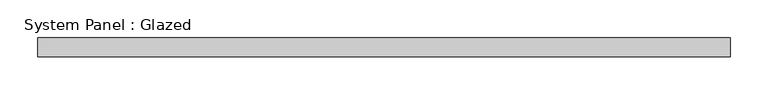
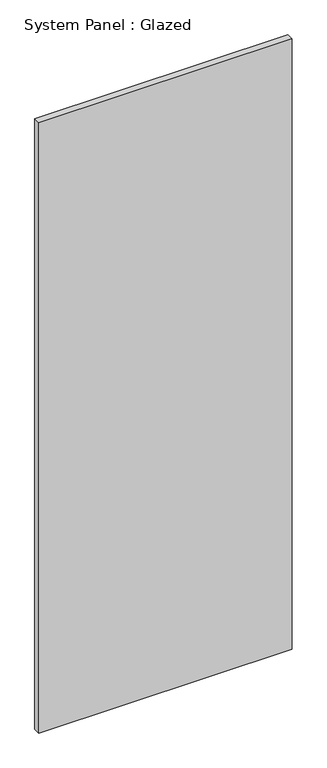
"""IFC4 building model written with IfcOpenShell, lengths in millimetres: plate geometry, System Panel : Glazed."""

from ifc_helpers import new_model, si_unit, origin, origin_with_axes, place, context, project, spatial, polyline, outline, extrude, source, transform, mapped, element, save


def system_panel_glazed_f1889ecb(model_context):
    return source(origin(), model_context, "Body", "SweptSolid", [
        extrude(outline(polyline([(460.375, 19.05), (-460.375, 19.05), (-460.375, 44.45), (460.375, 44.45), (460.375, 19.05)])), origin_with_axes(), (0.0, 0.0, 1.0), 2343.15),
    ])


if __name__ == "__main__":
    model = new_model("IFC4")
    model_context = context("Model", 3, world=origin())
    ifc_project = project(units=[si_unit("LENGTHUNIT", "METRE", prefix="MILLI")], contexts=[model_context])
    site = spatial("IfcSite", under=ifc_project)
    building = spatial("IfcBuilding", under=site)
    placement = place(None, origin())
    system_panel_glazed_shape = system_panel_glazed_f1889ecb(model_context)
    element("IfcPlate", 1, ObjectType="System Panel : Glazed", at=placement, inside=building, context=model_context, shape_type="MappedRepresentation", body=[
        mapped(system_panel_glazed_shape, transform((0.0, 0.0, 0.0), x_axis=(1.0, 0.0, 0.0), y_axis=(0.0, 1.0, 0.0), z_axis=(0.0, 0.0, 1.0))),
    ])
    save(model, "model.ifc")
